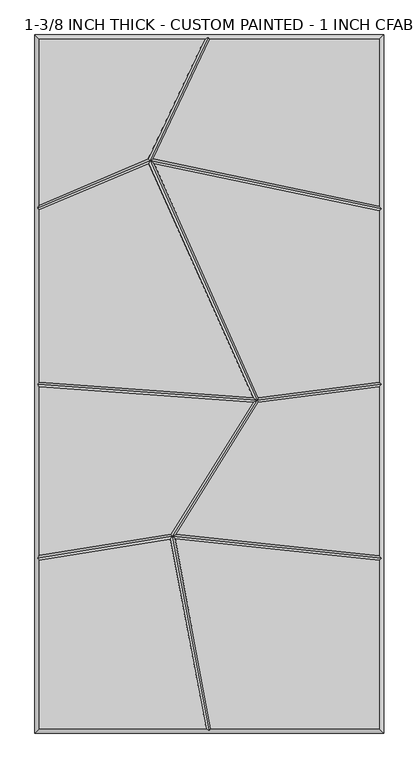
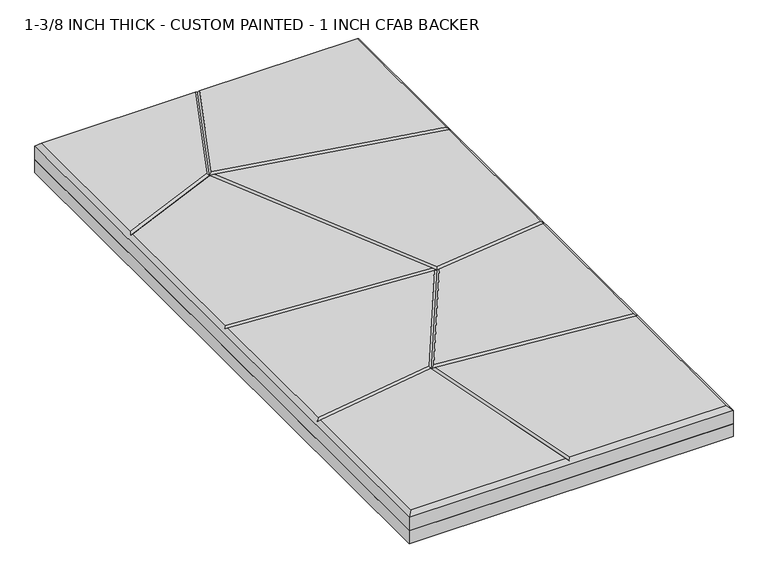
"""IFC4 building model written with IfcOpenShell, lengths in millimetres: proxy geometry, 1-3/8 INCH THICK - CUSTOM PAINTED - 1 INCH CFAB BACKER."""

from ifc_helpers import new_model, si_unit, frame, origin, place, context, project, spatial, polyline, outline, extrude, faceted_brep, source, transform, mapped, element, save


def proxy_1_3_8_inch_thick_custom_painted_1_inch_cfab_backer_d1ae3823(model_context):
    return source(origin(), model_context, "Body", "SolidModel", [
        extrude(outline(polyline([(-304.8, 609.6), (304.8, 609.6), (304.8, -609.6), (-304.8, -609.6), (-304.8, 609.6)])), frame((0.0, 0.0, -25.4), z_axis=(0.0, 0.0, 1.0), x_axis=(1.0, 0.0, 0.0)), (0.0, 0.0, 1.0), 25.4),
        faceted_brep([(-8.2028961, 601.599, 34.925), (-296.799, 601.599, 34.925), (-296.799, 312.5432369, 34.925), (-106.5730663, 393.3098245, 34.925), (-296.799, -601.599, 34.925), (-5.5875044, -601.599, 34.925), (-68.2811687, -270.685629, 34.925), (-296.799, -307.5611441, 34.925), (296.799, 601.599, 34.925), (0.6455208, 601.599, 34.925), (-97.8234472, 393.1006299, 34.925), (296.799, 310.5605776, 34.925), (2.5558226, -601.599, 34.925), (296.799, -601.599, 34.925), (296.799, -307.9855233, 34.925), (-60.1438104, -270.6541244, 34.925), (296.799, 302.386434, 34.925), (-96.7636582, 384.7048187, 34.925), (85.535097, -23.8552953, 34.925), (296.799, 3.0150912, 34.925), (-105.6591812, 385.0055382, 34.925), (-296.799, 303.850931, 34.925), (-296.799, 3.4294067, 34.925), (76.7151864, -23.7240351, 34.925), (296.799, -5.0503652, 34.925), (85.483213, -31.9273507, 34.925), (-58.2987801, -262.8024498, 34.925), (296.799, -299.9408835, 34.925), (76.1939437, -31.7082565, 34.925), (-296.799, -4.5927076, 34.925), (-296.799, -299.4566417, 34.925), (-67.5090689, -262.4565343, 34.925), (-304.8, 609.6, 0.0), (304.8, 609.6, 0.0), (304.8, -609.6, 0.0), (-304.8, -609.6, 0.0), (-304.8, -609.6, 26.924), (-304.8, 609.6, 26.924), (304.8, -609.6, 26.924), (304.8, 609.6, 26.924), (-1.8893438, 605.5995, 30.9245), (-300.7995, -304.1544464, 30.9245), (-300.7995, -0.2908252, 30.9245), (-300.7995, 306.498542, 30.9245), (-0.7579204, -605.5995, 30.9245), (300.7995, 305.6367529, 30.9245), (300.7995, -0.5088185, 30.9245), (300.7995, -304.3816017, 30.9245), (-65.0752426, -266.1160433, 30.9245), (83.0924453, -28.1987012, 30.9245), (-103.6066104, 390.2231766, 30.9245)], [[[0, 1, 2, 3]], [[4, 5, 6, 7]], [[8, 9, 10, 11]], [[12, 13, 14, 15]], [[16, 17, 18, 19]], [[20, 21, 22, 23]], [[24, 25, 26, 27]], [[28, 29, 30, 31]], [[32, 33, 34, 35]], [[32, 35, 36, 37]], [[35, 34, 38, 36]], [[34, 33, 39, 38]], [[33, 32, 37, 39]], [[37, 1, 0, 40, 9, 8, 39]], [[1, 37, 36, 4, 7, 41, 30, 29, 42, 22, 21, 43, 2]], [[4, 36, 38, 13, 12, 44, 5]], [[39, 8, 11, 45, 16, 19, 46, 24, 27, 47, 14, 13, 38]], [[44, 48, 6, 5]], [[48, 44, 12, 15]], [[48, 49, 28, 31]], [[49, 48, 26, 25]], [[49, 50, 20, 23]], [[50, 49, 18, 17]], [[50, 40, 0, 3]], [[40, 50, 10, 9]], [[45, 50, 17, 16]], [[50, 45, 11, 10]], [[50, 43, 21, 20]], [[43, 50, 3, 2]], [[46, 49, 25, 24]], [[49, 46, 19, 18]], [[49, 42, 29, 28]], [[42, 49, 23, 22]], [[47, 48, 15, 14]], [[48, 47, 27, 26]], [[48, 41, 7, 6]], [[41, 48, 31, 30]]]),
    ])


if __name__ == "__main__":
    model = new_model("IFC4")
    model_context = context("Model", 3, world=origin())
    ifc_project = project(units=[si_unit("LENGTHUNIT", "METRE", prefix="MILLI")], contexts=[model_context])
    site = spatial("IfcSite", under=ifc_project)
    building = spatial("IfcBuilding", under=site)
    placement = place(None, origin())
    proxy_1_3_8_inch_thick_custom_painted_1_inch_cfab_backer_shape = proxy_1_3_8_inch_thick_custom_painted_1_inch_cfab_backer_d1ae3823(model_context)
    element("IfcBuildingElementProxy", 1, Name="1-3/8 INCH THICK - CUSTOM PAINTED - 1 INCH CFAB BACKER", ObjectType="1-3/8 INCH THICK - CUSTOM PAINTED - 1 INCH CFAB BACKER", at=placement, inside=building, context=model_context, shape_type="MappedRepresentation", body=[
        mapped(proxy_1_3_8_inch_thick_custom_painted_1_inch_cfab_backer_shape, transform((0.0, 0.0, 0.0), x_axis=(1.0, 0.0, 0.0), y_axis=(0.0, 1.0, 0.0), z_axis=(0.0, 0.0, 1.0))),
    ])
    save(model, "model.ifc")
